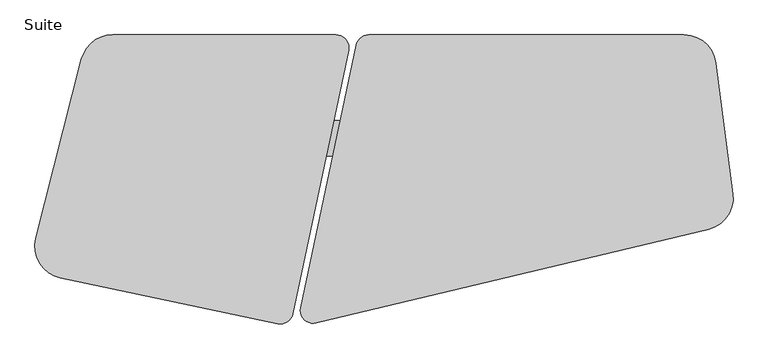
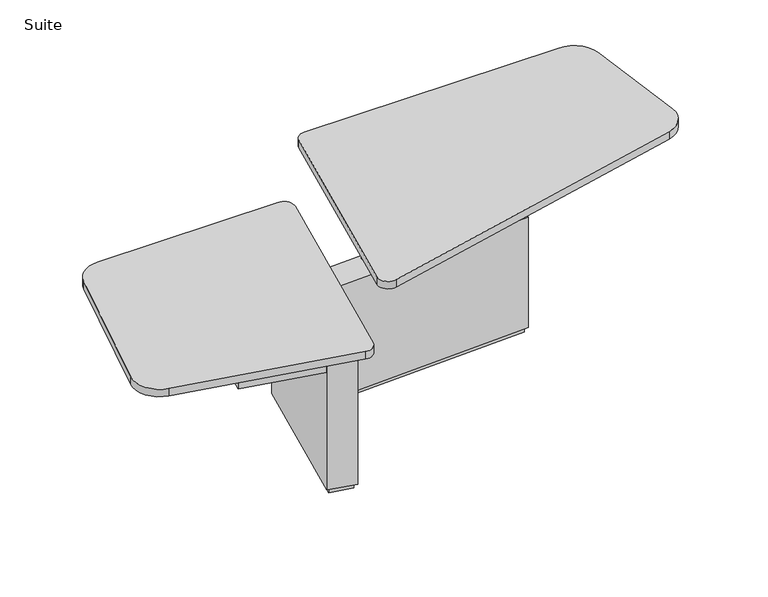
"""IFC4 building model written with IfcOpenShell, lengths in millimetres: furniture geometry, Suite."""

from ifc_helpers import new_model, si_unit, point, frame, frame_2d, origin, origin_with_axes, place, context, project, spatial, polyline, circle_curve, trimmed, segment, composite_curve, outline, extrude, source, transform, mapped, element, save
from ifc_brep_helpers import plane_surface, spline_surface, advanced_brep


def suite_f281f94a(model_context):
    return source(origin(), model_context, "Body", "SolidModel", [
        advanced_brep(
        [(-57.5389137, -481.0494589, 958.85), (-28.3078987, -339.9167749, 958.85), (775.6440414, -304.1848377, 958.85), (782.9553744, -443.6933837, 958.85), (-147.1173066, -913.5503143, 1028.7), (795.5735062, -678.5110966, 1028.7), (768.9868405, -171.207293, 1028.7), (6.6347473, -171.207293, 1028.7)],
        [
            (0, 1),
            (1, 2),
            (2, 3),
            (3, 0),
            (4, 5),
            (5, 6),
            (6, 7),
            (7, 4),
            (4, 0),
            (3, 5),
            (2, 6),
            (1, 7),
        ],
        [
            plane_surface(frame((368.1881509, -392.2111138, 958.85), z_axis=(0.0, 0.0, -1.0000000000000002), x_axis=(0.9990137656847126, 0.04440153119488584, 0.0))),
            plane_surface(frame((356.0194468, -483.6189992, 1028.7), z_axis=(0.0, 0.0, 1.0000000000000002), x_axis=(0.9990137656847126, 0.04440153119488584, 0.0))),
            spline_surface(1, 1, [[(795.5735062, -678.5110966, 1028.7), (782.9553744, -443.6933837, 958.85)], [(-147.1173066, -913.5503143, 1028.7), (-57.5389137, -481.0494589, 958.85)]], [2, 2], [2, 2], [0.0, 1.0], [0.0, 1.0]),
            plane_surface(frame((782.2801733, -424.8591948, 1028.7), z_axis=(0.9986196092022902, 0.052335436066788, -0.00445850292861042), x_axis=(0.05233595624294135, -0.998629534754574, 0.0))),
            spline_surface(1, 1, [[(6.6347473, -171.207293, 1028.7), (-28.3078987, -339.9167749, 958.85)], [(768.9868405, -171.207293, 1028.7), (775.6440414, -304.1848377, 958.85)]], [2, 2], [2, 2], [0.0, 1.0], [0.0, 1.0]),
            plane_surface(frame((-70.2412797, -542.3788036, 1028.7), z_axis=(-0.979217517943536, 0.2028128510536277, 0.0), x_axis=(0.2028128510536277, 0.979217517943536, 0.0))),
        ],
        [
            (0, [[1, 2, 3, 4]]),
            (1, [[5, 6, 7, 8]]),
            (2, [[-5, 9, -4, 10]]),
            (3, [[-6, -10, -3, 11]]),
            (4, [[-7, -11, -2, 12]]),
            (5, [[-8, -12, -1, -9]]),
        ],
    ),
        extrude(outline(polyline([(82.1381448, -454.7539427), (22.1976869, -457.417996), (17.7316686, -356.9338278), (77.6721264, -354.2697745), (82.1381448, -454.7539427)])), frame((0.0, 0.0, 596.9), z_axis=(0.0, 0.0, 1.0), x_axis=(1.0, 0.0, 0.0)), (0.0, 0.0, 1.0), 361.95),
        extrude(outline(polyline([(765.869007, -424.3655282), (705.9285491, -427.0295815), (701.4625308, -326.5454133), (761.4029887, -323.88136), (765.869007, -424.3655282)])), frame((0.0, 0.0, 596.9), z_axis=(0.0, 0.0, 1.0), x_axis=(1.0, 0.0, 0.0)), (0.0, 0.0, 1.0), 361.95),
        extrude(outline(polyline([(-251.8069909, -362.5496455), (764.4503086, -317.3817192), (769.5265737, -431.5693187), (-275.7263207, -478.0365425), (-251.8069909, -362.5496455)])), origin_with_axes(), (0.0, 0.0, 1.0), 25.4),
        extrude(outline(polyline([(-537.7010029, -1044.1486566), (-388.8916062, -337.7856651), (-279.0324119, -360.9296869), (-427.8418086, -1067.2926783), (-537.7010029, -1044.1486566)])), origin_with_axes(), (0.0, 0.0, 1.0), 25.4),
        extrude(outline(polyline([(776.5737559, -304.1303506), (782.7780704, -443.6927603), (-291.4738424, -491.4491495), (-262.2395803, -350.3007883), (776.5737559, -304.1303506)])), frame((0.0, 0.0, 25.4), z_axis=(0.0, 0.0, 1.0), x_axis=(1.0, 0.0, 0.0)), (0.0, 0.0, 1.0), 571.5),
        extrude(outline(polyline([(-398.7007874, -322.7404013), (-263.9871481, -351.1205057), (-418.0326274, -1082.3379421), (-552.7462667, -1053.9578378), (-398.7007874, -322.7404013)])), frame((0.0, 0.0, 25.4), z_axis=(0.0, 0.0, 1.0), x_axis=(1.0, 0.0, 0.0)), (0.0, 0.0, 1.0), 685.8),
        extrude(outline(polyline([(-399.6909924, -322.532087), (-553.7414488, -1053.7498827), (-937.9891663, -972.7978919), (-783.9414571, -241.5795175), (-399.6909924, -322.532087)])), frame((0.0, 0.0, 631.825), z_axis=(0.0, 0.0, 1.0), x_axis=(1.0, 0.0, 0.0)), (0.0, 0.0, 1.0), 79.375),
        extrude(outline(composite_curve([segment(polyline([(-59.0241965, -10.090159), (1181.5404053, -10.090159)]), True, "CONTINUOUS"), segment(trimmed(circle_curve(frame_2d((1181.5404053, -137.090159)), 127.0), [point((1181.5404053, -10.090159))], [point((1307.4937205, -120.8186387))], False, "CARTESIAN"), True, "CONTINUOUS"), segment(polyline([(1307.4937205, -120.8186387), (1374.1640998, -636.8955112)]), True, "CONTINUOUS"), segment(trimmed(circle_curve(frame_2d((1248.2107846, -653.1670315)), 127.0), [point((1374.1640998, -636.8955112))], [point((1277.7354865, -776.6874427))], False, "CARTESIAN"), True, "CONTINUOUS"), segment(polyline([(1277.7354865, -776.6874427), (-266.0708045, -1145.6986872)]), True, "CONTINUOUS"), segment(trimmed(circle_curve(frame_2d((-277.8806853, -1096.2905227)), 50.8), [point((-266.0708045, -1145.6986872))], [point((-327.5825069, -1085.7848608))], False, "CARTESIAN"), True, "CONTINUOUS"), segment(polyline([(-327.5825069, -1085.7848608), (-108.7260181, -50.3844971)]), True, "CONTINUOUS"), segment(trimmed(circle_curve(frame_2d((-59.0241965, -60.890159)), 50.8), [point((-108.7260181, -50.3844971))], [point((-59.0241965, -10.090159))], False, "CARTESIAN"), True, "CONTINUOUS")], self_intersect=False)), frame((0.0, 0.0, 1028.7), z_axis=(0.0, 0.0, 1.0), x_axis=(1.0, 0.0, 0.0)), (0.0, 0.0, 1.0), 38.1),
        extrude(outline(composite_curve([segment(polyline([(-1369.8218301, -812.635814), (-1190.308863, -105.8272577)]), True, "CONTINUOUS"), segment(trimmed(circle_curve(frame_2d((-1067.216806, -137.089783)), 127.0), [point((-1190.308863, -105.8272577))], [point((-1067.216806, -10.089783))], False, "CARTESIAN"), True, "CONTINUOUS"), segment(polyline([(-1067.216806, -10.089783), (-188.8261219, -10.089783)]), True, "CONTINUOUS"), segment(trimmed(circle_curve(frame_2d((-188.8261219, -60.889783)), 50.8), [point((-188.8261219, -10.089783))], [point((-139.117268, -71.3621202))], False, "CARTESIAN"), True, "CONTINUOUS"), segment(polyline([(-139.117268, -71.3621202), (-357.7325075, -1109.0591323)]), True, "CONTINUOUS"), segment(trimmed(circle_curve(frame_2d((-407.4413614, -1098.5867951)), 50.8), [point((-357.7325075, -1109.0591323))], [point((-417.9136986, -1148.295649))], False, "CARTESIAN"), True, "CONTINUOUS"), segment(polyline([(-417.9136986, -1148.295649), (-1272.910616, -968.170474)]), True, "CONTINUOUS"), segment(trimmed(circle_curve(frame_2d((-1246.729773, -843.8983393)), 127.0), [point((-1272.910616, -968.170474))], [point((-1369.8218301, -812.635814))], False, "CARTESIAN"), True, "CONTINUOUS")], self_intersect=False)), frame((0.0, 0.0, 711.2), z_axis=(0.0, 0.0, 1.0), x_axis=(1.0, 0.0, 0.0)), (0.0, 0.0, 1.0), 38.1),
    ])


if __name__ == "__main__":
    model = new_model("IFC4")
    model_context = context("Model", 3, world=origin())
    ifc_project = project(units=[si_unit("LENGTHUNIT", "METRE", prefix="MILLI")], contexts=[model_context])
    site = spatial("IfcSite", under=ifc_project)
    building = spatial("IfcBuilding", under=site)
    placement = place(None, origin())
    suite_shape = suite_f281f94a(model_context)
    element("IfcFurniture", 1, ObjectType="Suite", at=placement, inside=building, context=model_context, shape_type="MappedRepresentation", body=[
        mapped(suite_shape, transform((0.0, 0.0, 0.0), x_axis=(1.0, 0.0, 0.0), y_axis=(0.0, 1.0, 0.0), z_axis=(0.0, 0.0, 1.0))),
    ])
    save(model, "model.ifc")
